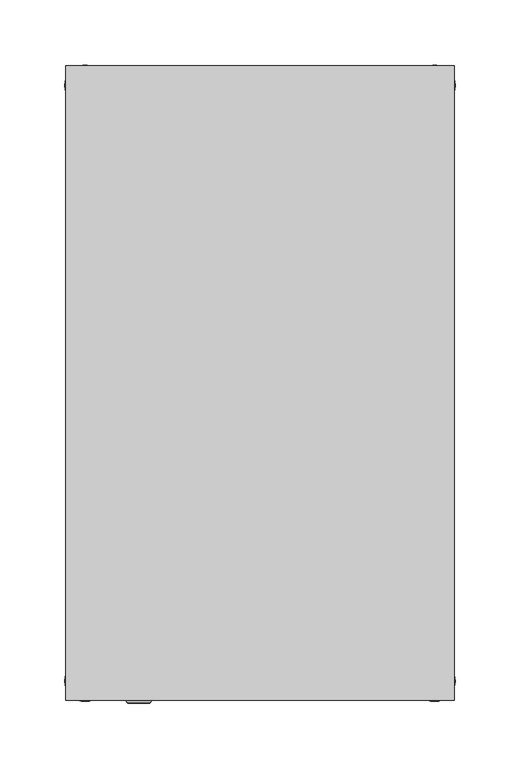
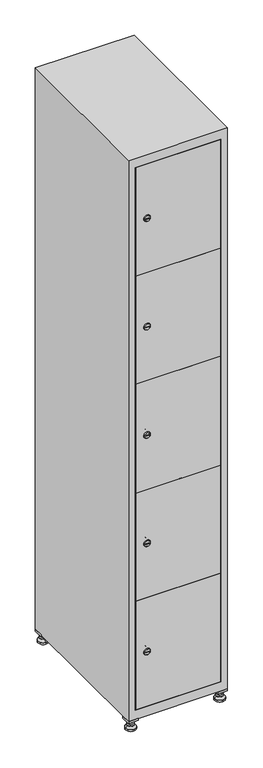
"""IFC4 building model written with IfcOpenShell, lengths in millimetres: furniture geometry."""

from ifc_helpers import new_model, si_unit, point, frame, frame_2d, origin, origin_with_axes, place, context, project, spatial, polyline, circle_curve, trimmed, segment, composite_curve, outline, extrude, faceted_brep, source, transform, mapped, element, save
from ifc_brep_helpers import plane_surface, revolved_surface, advanced_brep


def furniture_fe757f4d(model_context):
    return source(origin(), model_context, "Body", "SolidModel", [
        extrude(outline(polyline([(100.0, 245.0), (100.0, 215.0), (70.0, 215.0), (70.0, 245.0), (100.0, 245.0)]), holes=[polyline([(98.0, 243.0), (72.0, 243.0), (72.0, 217.0), (98.0, 217.0), (98.0, 243.0)])]), frame((0.0, 0.0, 28.5), z_axis=(0.0, 0.0, 1.0), x_axis=(1.0, 0.0, 0.0)), (0.0, 0.0, 1.0), 6.5),
        extrude(outline(polyline([(70.0, -245.0), (70.0, -215.0), (100.0, -215.0), (100.0, -245.0), (70.0, -245.0)]), holes=[polyline([(72.0, -243.0), (98.0, -243.0), (98.0, -217.0), (72.0, -217.0), (72.0, -243.0)])]), frame((0.0, 0.0, 28.5), z_axis=(0.0, 0.0, 1.0), x_axis=(1.0, 0.0, 0.0)), (0.0, 0.0, 1.0), 6.5),
        extrude(outline(polyline([(-170.0, 245.0), (-170.0, 215.0), (-200.0, 215.0), (-200.0, 245.0), (-170.0, 245.0)]), holes=[polyline([(-172.0, 243.0), (-198.0, 243.0), (-198.0, 217.0), (-172.0, 217.0), (-172.0, 243.0)])]), frame((0.0, 0.0, 28.5), z_axis=(0.0, 0.0, 1.0), x_axis=(1.0, 0.0, 0.0)), (0.0, 0.0, 1.0), 6.5),
        extrude(outline(polyline([(-170.0, -215.0), (-170.0, -245.0), (-200.0, -245.0), (-200.0, -215.0), (-170.0, -215.0)]), holes=[polyline([(-198.0, -243.0), (-172.0, -243.0), (-172.0, -217.0), (-198.0, -217.0), (-198.0, -243.0)])]), frame((0.0, 0.0, 28.5), z_axis=(0.0, 0.0, 1.0), x_axis=(1.0, 0.0, 0.0)), (0.0, 0.0, 1.0), 6.5),
        extrude(outline(composite_curve([segment(trimmed(circle_curve(frame_2d((-185.0, 230.0)), 5.0), [point((-180.0, 230.0))], [point((-190.0, 230.0))], False, "CARTESIAN"), True, "CONTINUOUS"), segment(trimmed(circle_curve(frame_2d((-185.0, 230.0)), 5.0), [point((-190.0, 230.0))], [point((-180.0, 230.0))], False, "CARTESIAN"), True, "CONTINUOUS")], self_intersect=False)), frame((0.0, 0.0, 19.6), z_axis=(0.0, 0.0, 1.0), x_axis=(1.0, 0.0, 0.0)), (0.0, 0.0, 1.0), 15.4),
        extrude(outline(composite_curve([segment(trimmed(circle_curve(frame_2d((-185.0, -230.0)), 5.0), [point((-180.0, -230.0))], [point((-190.0, -230.0))], False, "CARTESIAN"), True, "CONTINUOUS"), segment(trimmed(circle_curve(frame_2d((-185.0, -230.0)), 5.0), [point((-190.0, -230.0))], [point((-180.0, -230.0))], False, "CARTESIAN"), True, "CONTINUOUS")], self_intersect=False)), frame((0.0, 0.0, 19.6), z_axis=(0.0, 0.0, 1.0), x_axis=(1.0, 0.0, 0.0)), (0.0, 0.0, 1.0), 15.4),
        extrude(outline(composite_curve([segment(trimmed(circle_curve(frame_2d((85.0, 230.0)), 5.0), [point((90.0, 230.0))], [point((80.0, 230.0))], False, "CARTESIAN"), True, "CONTINUOUS"), segment(trimmed(circle_curve(frame_2d((85.0, 230.0)), 5.0), [point((80.0, 230.0))], [point((90.0, 230.0))], False, "CARTESIAN"), True, "CONTINUOUS")], self_intersect=False)), frame((0.0, 0.0, 19.6), z_axis=(0.0, 0.0, 1.0), x_axis=(1.0, 0.0, 0.0)), (0.0, 0.0, 1.0), 15.4),
        extrude(outline(polyline([(73.4529946, 230.0), (79.2264973, 240.0), (90.7735027, 240.0), (96.5470054, 230.0), (90.7735027, 220.0), (79.2264973, 220.0), (73.4529946, 230.0)])), frame((0.0, 0.0, 13.6), z_axis=(0.0, 0.0, 1.0), x_axis=(1.0, 0.0, 0.0)), (0.0, 0.0, 1.0), 6.0),
        extrude(outline(composite_curve([segment(trimmed(circle_curve(frame_2d((85.0, -230.0)), 5.0), [point((90.0, -230.0))], [point((80.0, -230.0))], False, "CARTESIAN"), True, "CONTINUOUS"), segment(trimmed(circle_curve(frame_2d((85.0, -230.0)), 5.0), [point((80.0, -230.0))], [point((90.0, -230.0))], False, "CARTESIAN"), True, "CONTINUOUS")], self_intersect=False)), frame((0.0, 0.0, 19.6), z_axis=(0.0, 0.0, 1.0), x_axis=(1.0, 0.0, 0.0)), (0.0, 0.0, 1.0), 15.4),
        extrude(outline(polyline([(73.4529946, -230.0), (79.2264973, -220.0), (90.7735027, -220.0), (96.5470054, -230.0), (90.7735027, -240.0), (79.2264973, -240.0), (73.4529946, -230.0)])), frame((0.0, 0.0, 13.6), z_axis=(0.0, 0.0, 1.0), x_axis=(1.0, 0.0, 0.0)), (0.0, 0.0, 1.0), 6.0),
        extrude(outline(composite_curve([segment(trimmed(circle_curve(frame_2d((85.0, 230.0)), 5.0), [point((90.0, 230.0))], [point((80.0, 230.0))], False, "CARTESIAN"), True, "CONTINUOUS"), segment(trimmed(circle_curve(frame_2d((85.0, 230.0)), 5.0), [point((80.0, 230.0))], [point((90.0, 230.0))], False, "CARTESIAN"), True, "CONTINUOUS")], self_intersect=False)), frame((0.0, 0.0, 12.1), z_axis=(0.0, 0.0, 1.0), x_axis=(1.0, 0.0, 0.0)), (0.0, 0.0, 1.0), 1.5),
        extrude(outline(composite_curve([segment(trimmed(circle_curve(frame_2d((85.0, -230.0)), 5.0), [point((90.0, -230.0))], [point((80.0, -230.0))], False, "CARTESIAN"), True, "CONTINUOUS"), segment(trimmed(circle_curve(frame_2d((85.0, -230.0)), 5.0), [point((80.0, -230.0))], [point((90.0, -230.0))], False, "CARTESIAN"), True, "CONTINUOUS")], self_intersect=False)), frame((0.0, 0.0, 12.1), z_axis=(0.0, 0.0, 1.0), x_axis=(1.0, 0.0, 0.0)), (0.0, 0.0, 1.0), 1.5),
        extrude(outline(polyline([(-196.5470054, 230.0), (-190.7735027, 240.0), (-179.2264973, 240.0), (-173.4529946, 230.0), (-179.2264973, 220.0), (-190.7735027, 220.0), (-196.5470054, 230.0)])), frame((0.0, 0.0, 13.6), z_axis=(0.0, 0.0, 1.0), x_axis=(1.0, 0.0, 0.0)), (0.0, 0.0, 1.0), 6.0),
        extrude(outline(polyline([(-196.5470054, -230.0), (-190.7735027, -220.0), (-179.2264973, -220.0), (-173.4529946, -230.0), (-179.2264973, -240.0), (-190.7735027, -240.0), (-196.5470054, -230.0)])), frame((0.0, 0.0, 13.6), z_axis=(0.0, 0.0, 1.0), x_axis=(1.0, 0.0, 0.0)), (0.0, 0.0, 1.0), 6.0),
        extrude(outline(composite_curve([segment(trimmed(circle_curve(frame_2d((-185.0, 230.0)), 5.0), [point((-185.0, 235.0))], [point((-185.0, 225.0))], False, "CARTESIAN"), True, "CONTINUOUS"), segment(trimmed(circle_curve(frame_2d((-185.0, 230.0)), 5.0), [point((-185.0, 225.0))], [point((-185.0, 235.0))], False, "CARTESIAN"), True, "CONTINUOUS")], self_intersect=False)), frame((0.0, 0.0, 12.1), z_axis=(0.0, 0.0, 1.0), x_axis=(1.0, 0.0, 0.0)), (0.0, 0.0, 1.0), 1.5),
        extrude(outline(composite_curve([segment(trimmed(circle_curve(frame_2d((-185.0, -230.0)), 5.0), [point((-180.0, -230.0))], [point((-190.0, -230.0))], False, "CARTESIAN"), True, "CONTINUOUS"), segment(trimmed(circle_curve(frame_2d((-185.0, -230.0)), 5.0), [point((-190.0, -230.0))], [point((-180.0, -230.0))], False, "CARTESIAN"), True, "CONTINUOUS")], self_intersect=False)), frame((0.0, 0.0, 12.1), z_axis=(0.0, 0.0, 1.0), x_axis=(1.0, 0.0, 0.0)), (0.0, 0.0, 1.0), 1.5),
        extrude(outline(composite_curve([segment(trimmed(circle_curve(frame_2d((85.0, 230.0)), 15.75), [point((100.75, 230.0))], [point((69.25, 230.0))], False, "CARTESIAN"), True, "CONTINUOUS"), segment(trimmed(circle_curve(frame_2d((85.0, 230.0)), 15.75), [point((69.25, 230.0))], [point((100.75, 230.0))], False, "CARTESIAN"), True, "CONTINUOUS")], self_intersect=False)), origin_with_axes(), (0.0, 0.0, 1.0), 5.1),
        extrude(outline(composite_curve([segment(trimmed(circle_curve(frame_2d((85.0, -230.0)), 15.75), [point((85.0, -214.25))], [point((85.0, -245.75))], False, "CARTESIAN"), True, "CONTINUOUS"), segment(trimmed(circle_curve(frame_2d((85.0, -230.0)), 15.75), [point((85.0, -245.75))], [point((85.0, -214.25))], False, "CARTESIAN"), True, "CONTINUOUS")], self_intersect=False)), origin_with_axes(), (0.0, 0.0, 1.0), 5.1),
        extrude(outline(composite_curve([segment(trimmed(circle_curve(frame_2d((-185.0, -230.0)), 15.75), [point((-169.25, -230.0))], [point((-200.75, -230.0))], False, "CARTESIAN"), True, "CONTINUOUS"), segment(trimmed(circle_curve(frame_2d((-185.0, -230.0)), 15.75), [point((-200.75, -230.0))], [point((-169.25, -230.0))], False, "CARTESIAN"), True, "CONTINUOUS")], self_intersect=False)), origin_with_axes(), (0.0, 0.0, 1.0), 5.1),
        extrude(outline(composite_curve([segment(trimmed(circle_curve(frame_2d((-185.0, 230.0)), 15.75), [point((-169.25, 230.0))], [point((-200.75, 230.0))], False, "CARTESIAN"), True, "CONTINUOUS"), segment(trimmed(circle_curve(frame_2d((-185.0, 230.0)), 15.75), [point((-200.75, 230.0))], [point((-169.25, 230.0))], False, "CARTESIAN"), True, "CONTINUOUS")], self_intersect=False)), origin_with_axes(), (0.0, 0.0, 1.0), 5.1),
        advanced_brep(
        [(-185.0, 245.75, 5.1), (-185.0, 214.25, 5.1), (-185.0, 239.5, 12.1), (-185.0, 220.5, 12.1)],
        [
            (0, 1, circle_curve(frame((-185.0, 230.0, 5.1), z_axis=(0.0, 0.0, -1.0), x_axis=(0.0, 1.0, 0.0)), 15.75)),
            (1, 0, circle_curve(frame((-185.0, 230.0, 5.1), z_axis=(0.0, 0.0, -1.0), x_axis=(0.0, -1.0, 0.0)), 15.75)),
            (2, 3, circle_curve(frame((-185.0, 230.0, 12.1), z_axis=(0.0, 0.0, 1.0), x_axis=(0.0, -1.0, 0.0)), 9.5)),
            (3, 2, circle_curve(frame((-185.0, 230.0, 12.1), z_axis=(0.0, 0.0, 1.0), x_axis=(0.0, 1.0, 0.0)), 9.5)),
            (3, 1),
            (0, 2),
        ],
        [
            plane_surface(frame((-185.0, 230.0, 5.1), z_axis=(0.0, 0.0, -1.0), x_axis=(1.0, 0.0, 0.0))),
            plane_surface(frame((-185.0, 230.0, 12.1), z_axis=(0.0, 0.0, 1.0), x_axis=(1.0, 0.0, 0.0))),
            revolved_surface(polyline([(-185.0, 220.5, 12.099999999999998), (-185.0, 214.25, 5.099999999999998)]), (-185.0, 230.0, 22.74), (0.0, 0.0, -1.0)),
            revolved_surface(polyline([(-185.0, 239.5, 12.099999999999998), (-185.0, 245.75, 5.099999999999998)]), (-185.0, 230.0, 22.74), (0.0, 0.0, -1.0)),
        ],
        [
            (0, [[1, 2]]),
            (1, [[3, 4]]),
            (2, [[-4, 5, -1, 6]]),
            (3, [[-3, -6, -2, -5]]),
        ],
    ),
        advanced_brep(
        [(85.0, 245.75, 5.1), (85.0, 214.25, 5.1), (85.0, 239.5, 12.1), (85.0, 220.5, 12.1)],
        [
            (0, 1, circle_curve(frame((85.0, 230.0, 5.1), z_axis=(0.0, 0.0, -1.0), x_axis=(0.0, 1.0, 0.0)), 15.75)),
            (1, 0, circle_curve(frame((85.0, 230.0, 5.1), z_axis=(0.0, 0.0, -1.0), x_axis=(0.0, -1.0, 0.0)), 15.75)),
            (2, 3, circle_curve(frame((85.0, 230.0, 12.1), z_axis=(0.0, 0.0, 1.0), x_axis=(0.0, -1.0, 0.0)), 9.5)),
            (3, 2, circle_curve(frame((85.0, 230.0, 12.1), z_axis=(0.0, 0.0, 1.0), x_axis=(0.0, 1.0, 0.0)), 9.5)),
            (3, 1),
            (0, 2),
        ],
        [
            plane_surface(frame((85.0, 230.0, 5.1), z_axis=(0.0, 0.0, -1.0), x_axis=(1.0, 0.0, 0.0))),
            plane_surface(frame((85.0, 230.0, 12.1), z_axis=(0.0, 0.0, 1.0), x_axis=(1.0, 0.0, 0.0))),
            revolved_surface(polyline([(85.0, 220.5, 12.099999999999998), (85.0, 214.25, 5.099999999999998)]), (85.0, 230.0, 22.74), (0.0, 0.0, -1.0)),
            revolved_surface(polyline([(85.0, 239.5, 12.099999999999998), (85.0, 245.75, 5.099999999999998)]), (85.0, 230.0, 22.74), (0.0, 0.0, -1.0)),
        ],
        [
            (0, [[1, 2]]),
            (1, [[3, 4]]),
            (2, [[-4, 5, -1, 6]]),
            (3, [[-3, -6, -2, -5]]),
        ],
    ),
        advanced_brep(
        [(94.5, -230.0, 12.1), (75.5, -230.0, 12.1), (100.75, -230.0, 5.1), (69.25, -230.0, 5.1)],
        [
            (0, 1, circle_curve(frame((85.0, -230.0, 12.1), z_axis=(0.0, 0.0, 1.0), x_axis=(1.0, 0.0, 0.0)), 9.5)),
            (1, 0, circle_curve(frame((85.0, -230.0, 12.1), z_axis=(0.0, 0.0, 1.0), x_axis=(-1.0, 0.0, 0.0)), 9.5)),
            (2, 3, circle_curve(frame((85.0, -230.0, 5.1), z_axis=(0.0, 0.0, -1.0), x_axis=(-1.0, 0.0, 0.0)), 15.75)),
            (3, 2, circle_curve(frame((85.0, -230.0, 5.1), z_axis=(0.0, 0.0, -1.0), x_axis=(1.0, 0.0, 0.0)), 15.75)),
            (3, 1),
            (0, 2),
        ],
        [
            plane_surface(frame((85.0, -230.0, 12.1), z_axis=(0.0, 0.0, 1.0), x_axis=(0.0, 1.0, 0.0))),
            plane_surface(frame((85.0, -230.0, 5.1), z_axis=(0.0, 0.0, -1.0), x_axis=(0.0, 1.0, 0.0))),
            revolved_surface(polyline([(94.5, -230.0, 12.099999999999998), (100.75, -230.0, 5.099999999999998)]), (85.0, -230.0, 22.74), (0.0, 0.0, -1.0)),
            revolved_surface(polyline([(75.5, -230.0, 12.099999999999998), (69.25, -230.0, 5.099999999999998)]), (85.0, -230.0, 22.74), (0.0, 0.0, -1.0)),
        ],
        [
            (0, [[1, 2]]),
            (1, [[3, 4]]),
            (2, [[-4, 5, -1, 6]]),
            (3, [[-3, -6, -2, -5]]),
        ],
    ),
        advanced_brep(
        [(-175.5, -230.0, 12.1), (-194.5, -230.0, 12.1), (-169.25, -230.0, 5.1), (-200.75, -230.0, 5.1)],
        [
            (0, 1, circle_curve(frame((-185.0, -230.0, 12.1), z_axis=(0.0, 0.0, 1.0), x_axis=(1.0, 0.0, 0.0)), 9.5)),
            (1, 0, circle_curve(frame((-185.0, -230.0, 12.1), z_axis=(0.0, 0.0, 1.0), x_axis=(-1.0, 0.0, 0.0)), 9.5)),
            (2, 3, circle_curve(frame((-185.0, -230.0, 5.1), z_axis=(0.0, 0.0, -1.0), x_axis=(-1.0, 0.0, 0.0)), 15.75)),
            (3, 2, circle_curve(frame((-185.0, -230.0, 5.1), z_axis=(0.0, 0.0, -1.0), x_axis=(1.0, 0.0, 0.0)), 15.75)),
            (3, 1),
            (0, 2),
        ],
        [
            plane_surface(frame((-185.0, -230.0, 12.1), z_axis=(0.0, 0.0, 1.0), x_axis=(0.0, 1.0, 0.0))),
            plane_surface(frame((-185.0, -230.0, 5.1), z_axis=(0.0, 0.0, -1.0), x_axis=(0.0, 1.0, 0.0))),
            revolved_surface(polyline([(-175.5, -230.0, 12.099999999999998), (-169.25, -230.0, 5.099999999999998)]), (-185.0, -230.0, 22.74), (0.0, 0.0, -1.0)),
            revolved_surface(polyline([(-194.5, -230.0, 12.099999999999998), (-200.75, -230.0, 5.099999999999998)]), (-185.0, -230.0, 22.74), (0.0, 0.0, -1.0)),
        ],
        [
            (0, [[1, 2]]),
            (1, [[3, 4]]),
            (2, [[-4, 5, -1, 6]]),
            (3, [[-3, -6, -2, -5]]),
        ],
    ),
        extrude(outline(composite_curve([segment(trimmed(circle_curve(frame_2d((239.96, -170.3989466)), 7.0), [point((246.96, -170.3989466))], [point((232.96, -170.3989466))], False, "CARTESIAN"), True, "CONTINUOUS"), segment(polyline([(232.96, -170.3989466), (232.96, -142.3989466)]), True, "CONTINUOUS"), segment(trimmed(circle_curve(frame_2d((239.96, -142.3989466)), 7.0), [point((232.96, -142.3989466))], [point((246.96, -142.3989466))], False, "CARTESIAN"), True, "CONTINUOUS"), segment(polyline([(246.96, -142.3989466), (246.96, -170.3989466)]), True, "CONTINUOUS")], self_intersect=False)), frame((0.0, -227.0, 0.0), z_axis=(0.0, 1.0, 0.0), x_axis=(0.0, 0.0, 1.0)), (0.0, 0.0, 1.0), 2.0),
        advanced_brep(
        [(-135.1, -247.2, 239.96), (-152.1, -247.2, 239.96), (-148.6, -247.2, 238.71), (-148.6, -247.2, 241.21), (-138.6, -247.2, 241.21), (-138.6, -247.2, 238.71), (-133.1, -245.0, 239.96), (-154.1, -245.0, 239.96), (-148.6, -245.0, 241.21), (-148.6, -245.0, 238.71), (-138.6, -245.0, 238.71), (-138.6, -245.0, 241.21)],
        [
            (0, 1, circle_curve(frame((-143.6, -247.2, 239.96), z_axis=(0.0, -1.0, 0.0), x_axis=(1.0, 0.0, 0.0)), 8.5)),
            (1, 0, circle_curve(frame((-143.6, -247.2, 239.96), z_axis=(0.0, -1.0, 0.0), x_axis=(-1.0, 0.0, 0.0)), 8.5)),
            (2, 3),
            (3, 4),
            (4, 5),
            (5, 2),
            (6, 7, circle_curve(frame((-143.6, -245.0, 239.96), z_axis=(0.0, 1.0, 0.0), x_axis=(-1.0, 0.0, 0.0)), 10.5)),
            (7, 6, circle_curve(frame((-143.6, -245.0, 239.96), z_axis=(0.0, 1.0, 0.0), x_axis=(1.0, 0.0, 0.0)), 10.5)),
            (8, 9),
            (9, 10),
            (10, 11),
            (11, 8),
            (0, 6),
            (7, 1),
            (8, 3),
            (2, 9),
            (11, 4),
            (10, 5),
        ],
        [
            plane_surface(frame((-143.6, -247.2, 239.96), z_axis=(0.0, -1.0, 0.0), x_axis=(0.0, 0.0, 1.0))),
            plane_surface(frame((-143.6, -245.0, 239.96), z_axis=(0.0, 1.0, 0.0), x_axis=(0.0, 0.0, 1.0))),
            revolved_surface(polyline([(-135.1, -247.2, 239.96), (-133.1, -245.0, 239.96)]), (-143.6, -256.55, 239.96), (0.0, 1.0, 0.0)),
            revolved_surface(polyline([(-152.1, -247.2, 239.96), (-154.1, -245.0, 239.96)]), (-143.6, -256.55, 239.96), (0.0, 1.0, 0.0)),
            plane_surface(frame((-148.6, -245.0, 238.71), z_axis=(1.0, 0.0, 0.0), x_axis=(0.0, -1.0, 0.0))),
            plane_surface(frame((-148.6, -245.0, 241.21), z_axis=(0.0, 0.0, -1.0), x_axis=(0.0, -1.0, 0.0))),
            plane_surface(frame((-138.6, -245.0, 241.21), z_axis=(-1.0, 0.0, 0.0), x_axis=(0.0, -1.0, 0.0))),
            plane_surface(frame((-138.6, -245.0, 238.71), z_axis=(0.0, 0.0, 1.0), x_axis=(0.0, -1.0, 0.0))),
        ],
        [
            (0, [[1, 2], [3, 4, 5, 6]]),
            (1, [[7, 8], [9, 10, 11, 12]]),
            (2, [[-1, 13, -8, 14]]),
            (3, [[-2, -14, -7, -13]]),
            (4, [[15, -3, 16, -9]]),
            (5, [[-15, -12, 17, -4]]),
            (6, [[-17, -11, 18, -5]]),
            (7, [[-16, -6, -18, -10]]),
        ],
    ),
        extrude(outline(composite_curve([segment(trimmed(circle_curve(frame_2d((587.48, -170.3989466)), 7.0), [point((594.48, -170.3989466))], [point((580.48, -170.3989466))], False, "CARTESIAN"), True, "CONTINUOUS"), segment(polyline([(580.48, -170.3989466), (580.48, -142.3989466)]), True, "CONTINUOUS"), segment(trimmed(circle_curve(frame_2d((587.48, -142.3989466)), 7.0), [point((580.48, -142.3989466))], [point((594.48, -142.3989466))], False, "CARTESIAN"), True, "CONTINUOUS"), segment(polyline([(594.48, -142.3989466), (594.48, -170.3989466)]), True, "CONTINUOUS")], self_intersect=False)), frame((0.0, -227.0, 0.0), z_axis=(0.0, 1.0, 0.0), x_axis=(0.0, 0.0, 1.0)), (0.0, 0.0, 1.0), 2.0),
        advanced_brep(
        [(-135.1, -247.2, 587.48), (-152.1, -247.2, 587.48), (-148.6, -247.2, 586.23), (-148.6, -247.2, 588.73), (-138.6, -247.2, 588.73), (-138.6, -247.2, 586.23), (-133.1, -245.0, 587.48), (-154.1, -245.0, 587.48), (-148.6, -245.0, 588.73), (-148.6, -245.0, 586.23), (-138.6, -245.0, 586.23), (-138.6, -245.0, 588.73)],
        [
            (0, 1, circle_curve(frame((-143.6, -247.2, 587.48), z_axis=(0.0, -1.0, 0.0), x_axis=(1.0, 0.0, 0.0)), 8.5)),
            (1, 0, circle_curve(frame((-143.6, -247.2, 587.48), z_axis=(0.0, -1.0, 0.0), x_axis=(-1.0, 0.0, 0.0)), 8.5)),
            (2, 3),
            (3, 4),
            (4, 5),
            (5, 2),
            (6, 7, circle_curve(frame((-143.6, -245.0, 587.48), z_axis=(0.0, 1.0, 0.0), x_axis=(-1.0, 0.0, 0.0)), 10.5)),
            (7, 6, circle_curve(frame((-143.6, -245.0, 587.48), z_axis=(0.0, 1.0, 0.0), x_axis=(1.0, 0.0, 0.0)), 10.5)),
            (8, 9),
            (9, 10),
            (10, 11),
            (11, 8),
            (0, 6),
            (7, 1),
            (8, 3),
            (2, 9),
            (11, 4),
            (10, 5),
        ],
        [
            plane_surface(frame((-143.6, -247.2, 587.48), z_axis=(0.0, -1.0, 0.0), x_axis=(0.0, 0.0, 1.0))),
            plane_surface(frame((-143.6, -245.0, 587.48), z_axis=(0.0, 1.0, 0.0), x_axis=(0.0, 0.0, 1.0))),
            revolved_surface(polyline([(-135.1, -247.2, 587.48), (-133.1, -245.0, 587.48)]), (-143.6, -256.55, 587.48), (0.0, 1.0, 0.0)),
            revolved_surface(polyline([(-152.1, -247.2, 587.48), (-154.1, -245.0, 587.48)]), (-143.6, -256.55, 587.48), (0.0, 1.0, 0.0)),
            plane_surface(frame((-148.6, -245.0, 586.23), z_axis=(1.0, 0.0, 0.0), x_axis=(0.0, -1.0, 0.0))),
            plane_surface(frame((-148.6, -245.0, 588.73), z_axis=(0.0, 0.0, -1.0), x_axis=(0.0, -1.0, 0.0))),
            plane_surface(frame((-138.6, -245.0, 588.73), z_axis=(-1.0, 0.0, 0.0), x_axis=(0.0, -1.0, 0.0))),
            plane_surface(frame((-138.6, -245.0, 586.23), z_axis=(0.0, 0.0, 1.0), x_axis=(0.0, -1.0, 0.0))),
        ],
        [
            (0, [[1, 2], [3, 4, 5, 6]]),
            (1, [[7, 8], [9, 10, 11, 12]]),
            (2, [[-1, 13, -8, 14]]),
            (3, [[-2, -14, -7, -13]]),
            (4, [[15, -3, 16, -9]]),
            (5, [[-15, -12, 17, -4]]),
            (6, [[-17, -11, 18, -5]]),
            (7, [[-16, -6, -18, -10]]),
        ],
    ),
        extrude(outline(composite_curve([segment(trimmed(circle_curve(frame_2d((935.0, -170.3989466)), 7.0), [point((942.0, -170.3989466))], [point((928.0, -170.3989466))], False, "CARTESIAN"), True, "CONTINUOUS"), segment(polyline([(928.0, -170.3989466), (928.0, -142.3989466)]), True, "CONTINUOUS"), segment(trimmed(circle_curve(frame_2d((935.0, -142.3989466)), 7.0), [point((928.0, -142.3989466))], [point((942.0, -142.3989466))], False, "CARTESIAN"), True, "CONTINUOUS"), segment(polyline([(942.0, -142.3989466), (942.0, -170.3989466)]), True, "CONTINUOUS")], self_intersect=False)), frame((0.0, -227.0, 0.0), z_axis=(0.0, 1.0, 0.0), x_axis=(0.0, 0.0, 1.0)), (0.0, 0.0, 1.0), 2.0),
        advanced_brep(
        [(-135.1, -247.2, 935.0), (-152.1, -247.2, 935.0), (-148.6, -247.2, 933.75), (-148.6, -247.2, 936.25), (-138.6, -247.2, 936.25), (-138.6, -247.2, 933.75), (-133.1, -245.0, 935.0), (-154.1, -245.0, 935.0), (-148.6, -245.0, 936.25), (-148.6, -245.0, 933.75), (-138.6, -245.0, 933.75), (-138.6, -245.0, 936.25)],
        [
            (0, 1, circle_curve(frame((-143.6, -247.2, 935.0), z_axis=(0.0, -1.0, 0.0), x_axis=(1.0, 0.0, 0.0)), 8.5)),
            (1, 0, circle_curve(frame((-143.6, -247.2, 935.0), z_axis=(0.0, -1.0, 0.0), x_axis=(-1.0, 0.0, 0.0)), 8.5)),
            (2, 3),
            (3, 4),
            (4, 5),
            (5, 2),
            (6, 7, circle_curve(frame((-143.6, -245.0, 935.0), z_axis=(0.0, 1.0, 0.0), x_axis=(-1.0, 0.0, 0.0)), 10.5)),
            (7, 6, circle_curve(frame((-143.6, -245.0, 935.0), z_axis=(0.0, 1.0, 0.0), x_axis=(1.0, 0.0, 0.0)), 10.5)),
            (8, 9),
            (9, 10),
            (10, 11),
            (11, 8),
            (0, 6),
            (7, 1),
            (8, 3),
            (2, 9),
            (11, 4),
            (10, 5),
        ],
        [
            plane_surface(frame((-143.6, -247.2, 935.0), z_axis=(0.0, -1.0, 0.0), x_axis=(0.0, 0.0, 1.0))),
            plane_surface(frame((-143.6, -245.0, 935.0), z_axis=(0.0, 1.0, 0.0), x_axis=(0.0, 0.0, 1.0))),
            revolved_surface(polyline([(-135.1, -247.2, 935.0), (-133.1, -245.0, 935.0)]), (-143.6, -256.55, 935.0), (0.0, 1.0, 0.0)),
            revolved_surface(polyline([(-152.1, -247.2, 935.0), (-154.1, -245.0, 935.0)]), (-143.6, -256.55, 935.0), (0.0, 1.0, 0.0)),
            plane_surface(frame((-148.6, -245.0, 933.75), z_axis=(1.0, 0.0, 0.0), x_axis=(0.0, -1.0, 0.0))),
            plane_surface(frame((-148.6, -245.0, 936.25), z_axis=(0.0, 0.0, -1.0), x_axis=(0.0, -1.0, 0.0))),
            plane_surface(frame((-138.6, -245.0, 936.25), z_axis=(-1.0, 0.0, 0.0), x_axis=(0.0, -1.0, 0.0))),
            plane_surface(frame((-138.6, -245.0, 933.75), z_axis=(0.0, 0.0, 1.0), x_axis=(0.0, -1.0, 0.0))),
        ],
        [
            (0, [[1, 2], [3, 4, 5, 6]]),
            (1, [[7, 8], [9, 10, 11, 12]]),
            (2, [[-1, 13, -8, 14]]),
            (3, [[-2, -14, -7, -13]]),
            (4, [[15, -3, 16, -9]]),
            (5, [[-15, -12, 17, -4]]),
            (6, [[-17, -11, 18, -5]]),
            (7, [[-16, -6, -18, -10]]),
        ],
    ),
        extrude(outline(composite_curve([segment(trimmed(circle_curve(frame_2d((1282.52, -170.3989466)), 7.0), [point((1289.52, -170.3989466))], [point((1275.52, -170.3989466))], False, "CARTESIAN"), True, "CONTINUOUS"), segment(polyline([(1275.52, -170.3989466), (1275.52, -142.3989466)]), True, "CONTINUOUS"), segment(trimmed(circle_curve(frame_2d((1282.52, -142.3989466)), 7.0), [point((1275.52, -142.3989466))], [point((1289.52, -142.3989466))], False, "CARTESIAN"), True, "CONTINUOUS"), segment(polyline([(1289.52, -142.3989466), (1289.52, -170.3989466)]), True, "CONTINUOUS")], self_intersect=False)), frame((0.0, -227.0, 0.0), z_axis=(0.0, 1.0, 0.0), x_axis=(0.0, 0.0, 1.0)), (0.0, 0.0, 1.0), 2.0),
        advanced_brep(
        [(-135.1, -247.2, 1282.52), (-152.1, -247.2, 1282.52), (-148.6, -247.2, 1281.27), (-148.6, -247.2, 1283.77), (-138.6, -247.2, 1283.77), (-138.6, -247.2, 1281.27), (-133.1, -245.0, 1282.52), (-154.1, -245.0, 1282.52), (-148.6, -245.0, 1283.77), (-148.6, -245.0, 1281.27), (-138.6, -245.0, 1281.27), (-138.6, -245.0, 1283.77)],
        [
            (0, 1, circle_curve(frame((-143.6, -247.2, 1282.52), z_axis=(0.0, -1.0, 0.0), x_axis=(1.0, 0.0, 0.0)), 8.5)),
            (1, 0, circle_curve(frame((-143.6, -247.2, 1282.52), z_axis=(0.0, -1.0, 0.0), x_axis=(-1.0, 0.0, 0.0)), 8.5)),
            (2, 3),
            (3, 4),
            (4, 5),
            (5, 2),
            (6, 7, circle_curve(frame((-143.6, -245.0, 1282.52), z_axis=(0.0, 1.0, 0.0), x_axis=(-1.0, 0.0, 0.0)), 10.5)),
            (7, 6, circle_curve(frame((-143.6, -245.0, 1282.52), z_axis=(0.0, 1.0, 0.0), x_axis=(1.0, 0.0, 0.0)), 10.5)),
            (8, 9),
            (9, 10),
            (10, 11),
            (11, 8),
            (0, 6),
            (7, 1),
            (8, 3),
            (2, 9),
            (11, 4),
            (10, 5),
        ],
        [
            plane_surface(frame((-143.6, -247.2, 1282.52), z_axis=(0.0, -1.0, 0.0), x_axis=(0.0, 0.0, 1.0))),
            plane_surface(frame((-143.6, -245.0, 1282.52), z_axis=(0.0, 1.0, 0.0), x_axis=(0.0, 0.0, 1.0))),
            revolved_surface(polyline([(-135.1, -247.2, 1282.52), (-133.1, -245.0, 1282.52)]), (-143.6, -256.55, 1282.52), (0.0, 1.0, 0.0)),
            revolved_surface(polyline([(-152.1, -247.2, 1282.52), (-154.1, -245.0, 1282.52)]), (-143.6, -256.55, 1282.52), (0.0, 1.0, 0.0)),
            plane_surface(frame((-148.6, -245.0, 1281.27), z_axis=(1.0, 0.0, 0.0), x_axis=(0.0, -1.0, 0.0))),
            plane_surface(frame((-148.6, -245.0, 1283.77), z_axis=(0.0, 0.0, -1.0), x_axis=(0.0, -1.0, 0.0))),
            plane_surface(frame((-138.6, -245.0, 1283.77), z_axis=(-1.0, 0.0, 0.0), x_axis=(0.0, -1.0, 0.0))),
            plane_surface(frame((-138.6, -245.0, 1281.27), z_axis=(0.0, 0.0, 1.0), x_axis=(0.0, -1.0, 0.0))),
        ],
        [
            (0, [[1, 2], [3, 4, 5, 6]]),
            (1, [[7, 8], [9, 10, 11, 12]]),
            (2, [[-1, 13, -8, 14]]),
            (3, [[-2, -14, -7, -13]]),
            (4, [[15, -3, 16, -9]]),
            (5, [[-15, -12, 17, -4]]),
            (6, [[-17, -11, 18, -5]]),
            (7, [[-16, -6, -18, -10]]),
        ],
    ),
        extrude(outline(composite_curve([segment(trimmed(circle_curve(frame_2d((1630.04, -170.3989466)), 7.0), [point((1637.04, -170.3989466))], [point((1623.04, -170.3989466))], False, "CARTESIAN"), True, "CONTINUOUS"), segment(polyline([(1623.04, -170.3989466), (1623.04, -142.3989466)]), True, "CONTINUOUS"), segment(trimmed(circle_curve(frame_2d((1630.04, -142.3989466)), 7.0), [point((1623.04, -142.3989466))], [point((1637.04, -142.3989466))], False, "CARTESIAN"), True, "CONTINUOUS"), segment(polyline([(1637.04, -142.3989466), (1637.04, -170.3989466)]), True, "CONTINUOUS")], self_intersect=False)), frame((0.0, -227.0, 0.0), z_axis=(0.0, 1.0, 0.0), x_axis=(0.0, 0.0, 1.0)), (0.0, 0.0, 1.0), 2.0),
        advanced_brep(
        [(-135.1, -247.2, 1630.04), (-152.1, -247.2, 1630.04), (-148.6, -247.2, 1628.79), (-148.6, -247.2, 1631.29), (-138.6, -247.2, 1631.29), (-138.6, -247.2, 1628.79), (-133.1, -245.0, 1630.04), (-154.1, -245.0, 1630.04), (-148.6, -245.0, 1631.29), (-148.6, -245.0, 1628.79), (-138.6, -245.0, 1628.79), (-138.6, -245.0, 1631.29)],
        [
            (0, 1, circle_curve(frame((-143.6, -247.2, 1630.04), z_axis=(0.0, -1.0, 0.0), x_axis=(1.0, 0.0, 0.0)), 8.5)),
            (1, 0, circle_curve(frame((-143.6, -247.2, 1630.04), z_axis=(0.0, -1.0, 0.0), x_axis=(-1.0, 0.0, 0.0)), 8.5)),
            (2, 3),
            (3, 4),
            (4, 5),
            (5, 2),
            (6, 7, circle_curve(frame((-143.6, -245.0, 1630.04), z_axis=(0.0, 1.0, 0.0), x_axis=(-1.0, 0.0, 0.0)), 10.5)),
            (7, 6, circle_curve(frame((-143.6, -245.0, 1630.04), z_axis=(0.0, 1.0, 0.0), x_axis=(1.0, 0.0, 0.0)), 10.5)),
            (8, 9),
            (9, 10),
            (10, 11),
            (11, 8),
            (0, 6),
            (7, 1),
            (8, 3),
            (2, 9),
            (11, 4),
            (10, 5),
        ],
        [
            plane_surface(frame((-143.6, -247.2, 1630.04), z_axis=(0.0, -1.0, 0.0), x_axis=(0.0, 0.0, 1.0))),
            plane_surface(frame((-143.6, -245.0, 1630.04), z_axis=(0.0, 1.0, 0.0), x_axis=(0.0, 0.0, 1.0))),
            revolved_surface(polyline([(-135.1, -247.2, 1630.04), (-133.1, -245.0, 1630.04)]), (-143.6, -256.55, 1630.04), (0.0, 1.0, 0.0)),
            revolved_surface(polyline([(-152.1, -247.2, 1630.04), (-154.1, -245.0, 1630.04)]), (-143.6, -256.55, 1630.04), (0.0, 1.0, 0.0)),
            plane_surface(frame((-148.6, -245.0, 1628.79), z_axis=(1.0, 0.0, 0.0), x_axis=(0.0, -1.0, 0.0))),
            plane_surface(frame((-148.6, -245.0, 1631.29), z_axis=(0.0, 0.0, -1.0), x_axis=(0.0, -1.0, 0.0))),
            plane_surface(frame((-138.6, -245.0, 1631.29), z_axis=(-1.0, 0.0, 0.0), x_axis=(0.0, -1.0, 0.0))),
            plane_surface(frame((-138.6, -245.0, 1628.79), z_axis=(0.0, 0.0, 1.0), x_axis=(0.0, -1.0, 0.0))),
        ],
        [
            (0, [[1, 2], [3, 4, 5, 6]]),
            (1, [[7, 8], [9, 10, 11, 12]]),
            (2, [[-1, 13, -8, 14]]),
            (3, [[-2, -14, -7, -13]]),
            (4, [[15, -3, 16, -9]]),
            (5, [[-15, -12, 17, -4]]),
            (6, [[-17, -11, 18, -5]]),
            (7, [[-16, -6, -18, -10]]),
        ],
    ),
        extrude(outline(polyline([(78.6, -227.0), (78.6, -245.0), (-178.6, -245.0), (-178.6, -227.0), (78.6, -227.0)])), frame((0.0, 0.0, 760.74), z_axis=(0.0, 0.0, 1.0), x_axis=(1.0, 0.0, 0.0)), (0.0, 0.0, 1.0), 348.52),
        extrude(outline(polyline([(78.6, -227.0), (78.6, -245.0), (-178.6, -245.0), (-178.6, -227.0), (78.6, -227.0)])), frame((0.0, 0.0, 413.22), z_axis=(0.0, 0.0, 1.0), x_axis=(1.0, 0.0, 0.0)), (0.0, 0.0, 1.0), 348.52),
        extrude(outline(polyline([(78.6, -227.0), (78.6, -245.0), (-178.6, -245.0), (-178.6, -227.0), (78.6, -227.0)])), frame((0.0, 0.0, 1108.26), z_axis=(0.0, 0.0, 1.0), x_axis=(1.0, 0.0, 0.0)), (0.0, 0.0, 1.0), 347.52),
        extrude(outline(polyline([(-178.6, -245.0), (-178.6, -227.0), (78.6, -227.0), (78.6, -245.0), (-178.6, -245.0)])), frame((0.0, 0.0, 1456.78), z_axis=(0.0, 0.0, 1.0), x_axis=(1.0, 0.0, 0.0)), (0.0, 0.0, 1.0), 347.02),
        extrude(outline(polyline([(78.6, -227.0), (78.6, -245.0), (-178.6, -245.0), (-178.6, -227.0), (78.6, -227.0)])), frame((0.0, 0.0, 66.2), z_axis=(0.0, 0.0, 1.0), x_axis=(1.0, 0.0, 0.0)), (0.0, 0.0, 1.0), 348.02),
        extrude(outline(polyline([(79.6, 242.0), (79.6, -227.0), (-179.6, -227.0), (-179.6, 242.0), (79.6, 242.0)])), frame((0.0, 0.0, 1446.68), z_axis=(0.0, 0.0, 1.0), x_axis=(1.0, 0.0, 0.0)), (0.0, 0.0, 1.0), 20.4),
        extrude(outline(polyline([(79.6, 242.0), (79.6, -227.0), (-179.6, -227.0), (-179.6, 242.0), (79.6, 242.0)])), frame((0.0, 0.0, 1098.76), z_axis=(0.0, 0.0, 1.0), x_axis=(1.0, 0.0, 0.0)), (0.0, 0.0, 1.0), 20.4),
        extrude(outline(polyline([(79.6, 242.0), (79.6, -227.0), (-179.6, -227.0), (-179.6, 242.0), (79.6, 242.0)])), frame((0.0, 0.0, 750.84), z_axis=(0.0, 0.0, 1.0), x_axis=(1.0, 0.0, 0.0)), (0.0, 0.0, 1.0), 20.4),
        extrude(outline(polyline([(-179.6, 242.0), (79.6, 242.0), (79.6, -227.0), (-179.6, -227.0), (-179.6, 242.0)])), frame((0.0, 0.0, 402.92), z_axis=(0.0, 0.0, 1.0), x_axis=(1.0, 0.0, 0.0)), (0.0, 0.0, 1.0), 20.4),
        faceted_brep([(100.0, -245.0, 35.0), (100.0, -245.0, 1835.0), (-200.0, -245.0, 1835.0), (-200.0, -245.0, 35.0), (79.6, -245.0, 1804.8), (79.6, -245.0, 65.2), (-179.6, -245.0, 65.2), (-179.6, -245.0, 1804.8), (100.0, 245.0, 35.0), (-200.0, 245.0, 35.0), (100.0, 245.0, 1835.0), (-200.0, 245.0, 1835.0), (79.6, 242.0, 1804.8), (79.6, 242.0, 65.2), (-200.0, 245.0, 1804.8), (-179.6, 242.0, 1804.8), (-179.6, 242.0, 65.2)], [[[0, 1, 2, 3], [4, 5, 6, 7]], [[8, 0, 3, 9]], [[1, 0, 8, 10]], [[1, 10, 11, 2]], [[4, 12, 13, 5]], [[9, 3, 2, 11, 14]], [[10, 8, 9, 14, 11]], [[12, 15, 16, 13]], [[15, 7, 6, 16]], [[4, 7, 15, 12]], [[6, 5, 13, 16]]]),
    ])


if __name__ == "__main__":
    model = new_model("IFC4")
    model_context = context("Model", 3, world=origin())
    ifc_project = project(units=[si_unit("LENGTHUNIT", "METRE", prefix="MILLI")], contexts=[model_context])
    site = spatial("IfcSite", under=ifc_project)
    building = spatial("IfcBuilding", under=site)
    placement = place(None, origin())
    furniture_shape = furniture_fe757f4d(model_context)
    element("IfcFurniture", 1, at=placement, inside=building, context=model_context, shape_type="MappedRepresentation", body=[
        mapped(furniture_shape, transform((0.0, 0.0, 0.0), x_axis=(1.0, 0.0, 0.0), y_axis=(0.0, 1.0, 0.0), z_axis=(0.0, 0.0, 1.0))),
    ])
    save(model, "model.ifc")
